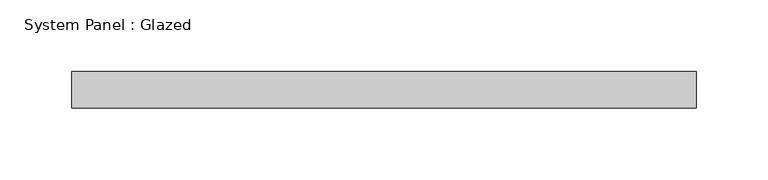
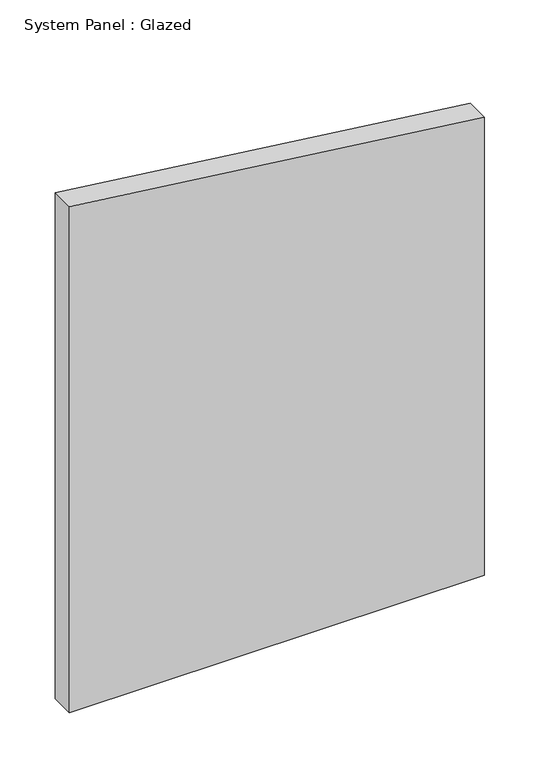
"""IFC4 building model written with IfcOpenShell, lengths in millimetres: plate geometry, System Panel : Glazed."""

import ifcopenshell
import ifcopenshell.guid

model = None  # the IFC model being written
_history = None  # IfcOwnerHistory: only IFC2X3 demands one
_inside = {}  # id of a spatial element -> (the spatial element, [elements in it])
_under = {}  # id of a project, library or spatial element -> (it, [spatial elements below it])
_declared = {}  # id of a project -> (the project, [libraries it declares])
_typed = {}  # id of a type object -> (the type object, [elements of that type])
_made_of = {}  # id of a material, layer set ... -> (it, [elements and type objects made of it])


def new_model(schema):
    """Start an empty IFC model of exactly this schema.

    Asked for "IFC4X3", IfcOpenShell would pick the latest addendum, in which some entities
    have other attributes; the version numbers below select the first issue.
    IFC2X3 requires an IfcOwnerHistory on every rooted entity: one is made here for all.
    """
    global model, _history
    if schema == "IFC4X3":
        model = ifcopenshell.file(schema_version=(4, 3, 0, 0))
    else:
        model = ifcopenshell.file(schema=schema)
    _inside.clear()
    _under.clear()
    _declared.clear()
    _typed.clear()
    _made_of.clear()
    _history = None
    if model.schema == "IFC2X3":
        org = make("IfcOrganization", Name="unknown")
        user = make(
            "IfcPersonAndOrganization",
            ThePerson=make("IfcPerson", FamilyName="unknown"),
            TheOrganization=org,
        )
        app = make(
            "IfcApplication",
            ApplicationDeveloper=org,
            Version="unknown",
            ApplicationFullName="unknown",
            ApplicationIdentifier="unknown",
        )
        _history = make(
            "IfcOwnerHistory",
            OwningUser=user,
            OwningApplication=app,
            ChangeAction="ADDED",
            CreationDate=0,
        )
    return model


def make(cls, **values):
    """One entity of the class cls with the attributes given. An attribute that is None is left unset."""
    return model.create_entity(
        cls, **{name: value for name, value in values.items() if value is not None}
    )


def rooted(cls, **values):
    """An entity with a GlobalId (a new one), such as an element, a storey or a relation."""
    return make(cls, GlobalId=ifcopenshell.guid.new(), OwnerHistory=_history, **values)


def si_unit(unit_type, name, prefix=None):
    """IfcSIUnit, for example si_unit("LENGTHUNIT", "METRE", prefix="MILLI")."""
    return make("IfcSIUnit", UnitType=unit_type, Prefix=prefix, Name=name)


def assignment(units):
    """IfcUnitAssignment: the units of a project."""
    return None if units is None else make("IfcUnitAssignment", Units=units)


def point(xyz):
    """IfcCartesianPoint."""
    return None if xyz is None else make("IfcCartesianPoint", Coordinates=xyz)


def direction(xyz):
    """IfcDirection."""
    return None if xyz is None else make("IfcDirection", DirectionRatios=xyz)


def frame(location, z_axis=None, x_axis=None):
    """IfcAxis2Placement3D, a coordinate frame: its origin and axes. An axis left out is left unset."""
    return make(
        "IfcAxis2Placement3D",
        Location=point(location),
        Axis=direction(z_axis),
        RefDirection=direction(x_axis),
    )


def origin():
    """The frame at (0, 0, 0) with its axes left unset."""
    return frame((0.0, 0.0, 0.0))


def place(relative_to, where):
    """IfcLocalPlacement: puts the frame where relative to a parent placement (None: the world)."""
    return make(
        "IfcLocalPlacement", PlacementRelTo=relative_to, RelativePlacement=where
    )


def context(
    kind, dimensions, precision=None, world=None, true_north=None, identifier=None
):
    """IfcGeometricRepresentationContext, for example the 3D "Model" context."""
    return make(
        "IfcGeometricRepresentationContext",
        ContextIdentifier=identifier,
        ContextType=kind,
        CoordinateSpaceDimension=dimensions,
        Precision=precision,
        WorldCoordinateSystem=world,
        TrueNorth=true_north,
    )


def project(units=None, contexts=None):
    """IfcProject with its units and contexts."""
    return rooted(
        "IfcProject",
        Name="project",
        RepresentationContexts=contexts,
        UnitsInContext=assignment(units),
    )


def spatial(cls, under=None, at=None, **own):
    """A site, building, storey or space (cls), placed at a placement, below another one or the project."""
    s = rooted(cls, ObjectPlacement=at, **own)
    if under is not None:
        _under.setdefault(under.id(), (under, []))[1].append(s)
    return s


def polyline(points):
    """IfcPolyline through the points."""
    return make("IfcPolyline", Points=[point(p) for p in points])


def outline(outer, holes=None, kind="AREA"):
    """IfcArbitraryClosedProfileDef: a profile drawn as a closed curve; with holes, ...WithVoids."""
    if holes is None:
        return make("IfcArbitraryClosedProfileDef", ProfileType=kind, OuterCurve=outer)
    return make(
        "IfcArbitraryProfileDefWithVoids",
        ProfileType=kind,
        OuterCurve=outer,
        InnerCurves=holes,
    )


def extrude(swept, where, along, depth):
    """IfcExtrudedAreaSolid: the profile swept, set in the frame where, extruded along a direction by depth."""
    return make(
        "IfcExtrudedAreaSolid",
        SweptArea=swept,
        Position=where,
        ExtrudedDirection=direction(along),
        Depth=depth,
    )


def shape(context_of_items, identifier, shape_type, items):
    """IfcShapeRepresentation: the items that make up one representation, for example the "Body"."""
    return make(
        "IfcShapeRepresentation",
        ContextOfItems=context_of_items,
        RepresentationIdentifier=identifier,
        RepresentationType=shape_type,
        Items=items,
    )


def source(mapping_origin, context_of_items, identifier, shape_type, items):
    """IfcRepresentationMap: a shape defined once, which mapped items show again and again."""
    return make(
        "IfcRepresentationMap",
        MappingOrigin=mapping_origin,
        MappedRepresentation=shape(context_of_items, identifier, shape_type, items),
    )


def transform(
    local_origin,
    x_axis=None,
    y_axis=None,
    z_axis=None,
    scale=None,
    scale2=None,
    scale3=None,
    uniform=True,
):
    """IfcCartesianTransformationOperator3D, or its non-uniform kind. x_axis, y_axis, z_axis: its Axis1, 2, 3."""
    if uniform:
        return make(
            "IfcCartesianTransformationOperator3D",
            Axis1=direction(x_axis),
            Axis2=direction(y_axis),
            LocalOrigin=point(local_origin),
            Scale=scale,
            Axis3=direction(z_axis),
        )
    return make(
        "IfcCartesianTransformationOperator3DnonUniform",
        Axis1=direction(x_axis),
        Axis2=direction(y_axis),
        LocalOrigin=point(local_origin),
        Scale=scale,
        Axis3=direction(z_axis),
        Scale2=scale2,
        Scale3=scale3,
    )


def mapped(mapping_source, mapping_target):
    """IfcMappedItem: shows the shape of a source again, moved by a transform."""
    return make(
        "IfcMappedItem", MappingSource=mapping_source, MappingTarget=mapping_target
    )


def made_of(thing, what):
    """Note that an element or type object is made of a material, layer set ...; save() writes the relation."""
    if what is not None:
        _made_of.setdefault(what.id(), (what, []))[1].append(thing)
    return thing


def element(
    cls,
    number,
    at=None,
    inside=None,
    cuts=None,
    type_object=None,
    material=None,
    context=None,
    identifier="Body",
    shape_type=None,
    held_by="IfcProductDefinitionShape",
    body=None,
    shapes=None,
    **own,
):
    """One element of the class cls, such as IfcWall. Its Tag is "e" and its number.

    at: its placement. inside: the storey or other place that contains it. cuts: it is an
    opening in that element (IfcRelVoidsElement). A single representation is given by context,
    identifier, shape_type and body (its items); several are given by shapes. held_by: the class
    of the entity that holds the representations. save() writes the other relations.
    """
    e = rooted(cls, Tag="e%d" % number, ObjectPlacement=at, **own)
    if body is not None:
        shapes = [shape(context, identifier, shape_type, body)]
    if shapes is not None:
        e.Representation = make(held_by, Representations=shapes)
    if inside is not None:
        _inside.setdefault(inside.id(), (inside, []))[1].append(e)
    if cuts is not None:
        rooted(
            "IfcRelVoidsElement", RelatingBuildingElement=cuts, RelatedOpeningElement=e
        )
    if type_object is not None:
        _typed.setdefault(type_object.id(), (type_object, []))[1].append(e)
    return made_of(e, material)


def aggregate(whole, parts):
    """IfcRelAggregates: a whole, such as a stair, and the parts it consists of."""
    return rooted("IfcRelAggregates", RelatingObject=whole, RelatedObjects=parts)


def save(model, path):
    """Write the relations noted so far, then the file.

    IfcRelAggregates (storeys below a building ...), IfcRelContainedInSpatialStructure (elements
    in a storey), IfcRelDefinesByType, IfcRelAssociatesMaterial and IfcRelDeclares: one each for
    every whole, place, type object, material and project.
    """
    for whole, parts in _under.values():
        aggregate(whole, parts)
    for where, things in _inside.values():
        rooted(
            "IfcRelContainedInSpatialStructure",
            RelatedElements=things,
            RelatingStructure=where,
        )
    for kind, things in _typed.values():
        rooted("IfcRelDefinesByType", RelatedObjects=things, RelatingType=kind)
    for what, things in _made_of.values():
        rooted("IfcRelAssociatesMaterial", RelatedObjects=things, RelatingMaterial=what)
    for by, libraries in _declared.values():
        rooted("IfcRelDeclares", RelatingContext=by, RelatedDefinitions=libraries)
    model.write(path)


def system_panel_glazed_1e7f694d(model_context):
    return source(origin(), model_context, "Body", "SweptSolid", [
        extrude(outline(polyline([(0.0, -217.5197371), (0.0, 217.5197371), (507.4250242, 217.5197371), (560.7527586, -217.5197371), (0.0, -217.5197371)])), frame((0.0, 19.05, 0.0), z_axis=(0.0, 1.0, 0.0), x_axis=(0.0, 0.0, 1.0)), (0.0, 0.0, 1.0), 25.4),
    ])


if __name__ == "__main__":
    model = new_model("IFC4")
    model_context = context("Model", 3, world=origin())
    ifc_project = project(units=[si_unit("LENGTHUNIT", "METRE", prefix="MILLI")], contexts=[model_context])
    site = spatial("IfcSite", under=ifc_project)
    building = spatial("IfcBuilding", under=site)
    placement = place(None, origin())
    system_panel_glazed_shape = system_panel_glazed_1e7f694d(model_context)
    element("IfcPlate", 1, ObjectType="System Panel : Glazed", at=placement, inside=building, context=model_context, shape_type="MappedRepresentation", body=[
        mapped(system_panel_glazed_shape, transform((0.0, 0.0, 0.0), x_axis=(1.0, 0.0, 0.0), y_axis=(0.0, 1.0, 0.0), z_axis=(0.0, 0.0, 1.0))),
    ])
    save(model, "model.ifc")
